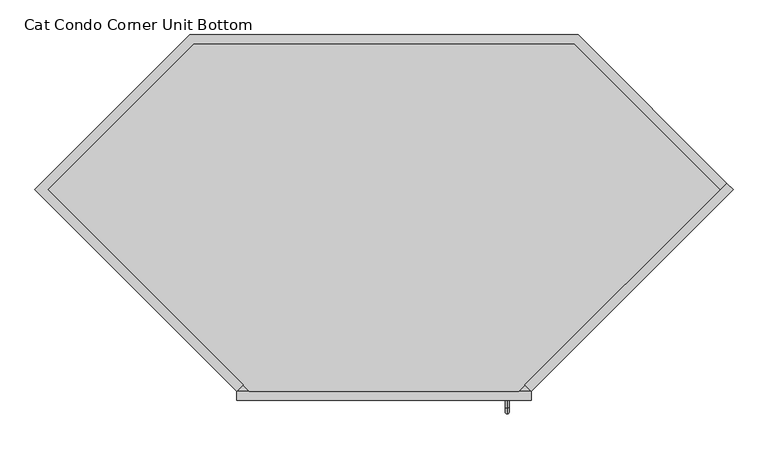
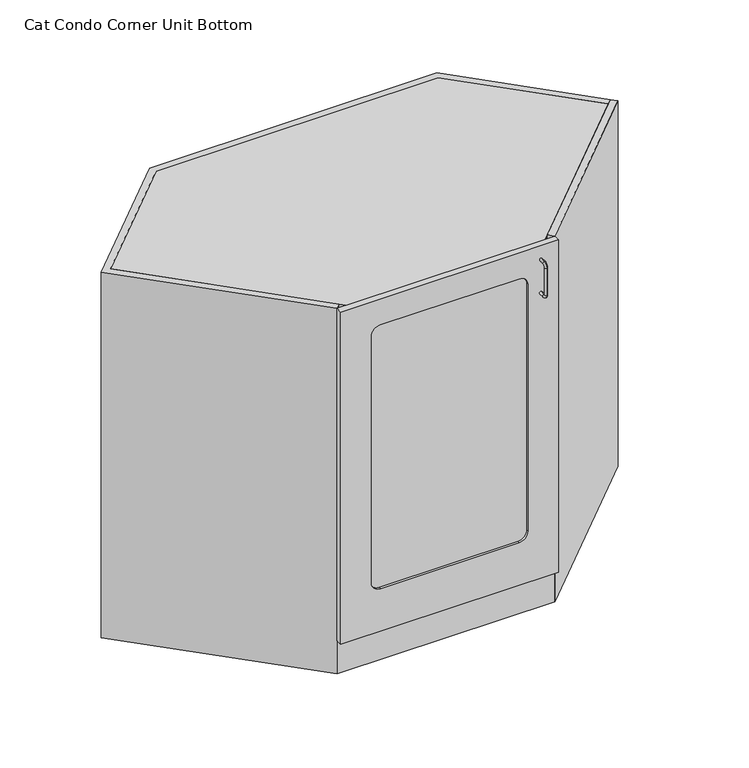
"""IFC4 building model written with IfcOpenShell, lengths in millimetres: proxy geometry, Cat Condo Corner Unit Bottom."""

import ifcopenshell
import ifcopenshell.guid

model = None  # the IFC model being written
_history = None  # IfcOwnerHistory: only IFC2X3 demands one
_inside = {}  # id of a spatial element -> (the spatial element, [elements in it])
_under = {}  # id of a project, library or spatial element -> (it, [spatial elements below it])
_declared = {}  # id of a project -> (the project, [libraries it declares])
_typed = {}  # id of a type object -> (the type object, [elements of that type])
_made_of = {}  # id of a material, layer set ... -> (it, [elements and type objects made of it])


def new_model(schema):
    """Start an empty IFC model of exactly this schema.

    Asked for "IFC4X3", IfcOpenShell would pick the latest addendum, in which some entities
    have other attributes; the version numbers below select the first issue.
    IFC2X3 requires an IfcOwnerHistory on every rooted entity: one is made here for all.
    """
    global model, _history
    if schema == "IFC4X3":
        model = ifcopenshell.file(schema_version=(4, 3, 0, 0))
    else:
        model = ifcopenshell.file(schema=schema)
    _inside.clear()
    _under.clear()
    _declared.clear()
    _typed.clear()
    _made_of.clear()
    _history = None
    if model.schema == "IFC2X3":
        org = make("IfcOrganization", Name="unknown")
        user = make(
            "IfcPersonAndOrganization",
            ThePerson=make("IfcPerson", FamilyName="unknown"),
            TheOrganization=org,
        )
        app = make(
            "IfcApplication",
            ApplicationDeveloper=org,
            Version="unknown",
            ApplicationFullName="unknown",
            ApplicationIdentifier="unknown",
        )
        _history = make(
            "IfcOwnerHistory",
            OwningUser=user,
            OwningApplication=app,
            ChangeAction="ADDED",
            CreationDate=0,
        )
    return model


def make(cls, **values):
    """One entity of the class cls with the attributes given. An attribute that is None is left unset."""
    return model.create_entity(
        cls, **{name: value for name, value in values.items() if value is not None}
    )


def rooted(cls, **values):
    """An entity with a GlobalId (a new one), such as an element, a storey or a relation."""
    return make(cls, GlobalId=ifcopenshell.guid.new(), OwnerHistory=_history, **values)


def si_unit(unit_type, name, prefix=None):
    """IfcSIUnit, for example si_unit("LENGTHUNIT", "METRE", prefix="MILLI")."""
    return make("IfcSIUnit", UnitType=unit_type, Prefix=prefix, Name=name)


def assignment(units):
    """IfcUnitAssignment: the units of a project."""
    return None if units is None else make("IfcUnitAssignment", Units=units)


def point(xyz):
    """IfcCartesianPoint."""
    return None if xyz is None else make("IfcCartesianPoint", Coordinates=xyz)


def direction(xyz):
    """IfcDirection."""
    return None if xyz is None else make("IfcDirection", DirectionRatios=xyz)


def frame(location, z_axis=None, x_axis=None):
    """IfcAxis2Placement3D, a coordinate frame: its origin and axes. An axis left out is left unset."""
    return make(
        "IfcAxis2Placement3D",
        Location=point(location),
        Axis=direction(z_axis),
        RefDirection=direction(x_axis),
    )


def frame_2d(location, x_axis=None):
    """IfcAxis2Placement2D, a coordinate frame in the plane: its origin and x axis."""
    return make(
        "IfcAxis2Placement2D", Location=point(location), RefDirection=direction(x_axis)
    )


def origin():
    """The frame at (0, 0, 0) with its axes left unset."""
    return frame((0.0, 0.0, 0.0))


def origin_with_axes():
    """The frame at (0, 0, 0) with the z axis (0, 0, 1) and the x axis (1, 0, 0) written out."""
    return frame((0.0, 0.0, 0.0), z_axis=(0.0, 0.0, 1.0), x_axis=(1.0, 0.0, 0.0))


def place(relative_to, where):
    """IfcLocalPlacement: puts the frame where relative to a parent placement (None: the world)."""
    return make(
        "IfcLocalPlacement", PlacementRelTo=relative_to, RelativePlacement=where
    )


def context(
    kind, dimensions, precision=None, world=None, true_north=None, identifier=None
):
    """IfcGeometricRepresentationContext, for example the 3D "Model" context."""
    return make(
        "IfcGeometricRepresentationContext",
        ContextIdentifier=identifier,
        ContextType=kind,
        CoordinateSpaceDimension=dimensions,
        Precision=precision,
        WorldCoordinateSystem=world,
        TrueNorth=true_north,
    )


def project(units=None, contexts=None):
    """IfcProject with its units and contexts."""
    return rooted(
        "IfcProject",
        Name="project",
        RepresentationContexts=contexts,
        UnitsInContext=assignment(units),
    )


def spatial(cls, under=None, at=None, **own):
    """A site, building, storey or space (cls), placed at a placement, below another one or the project."""
    s = rooted(cls, ObjectPlacement=at, **own)
    if under is not None:
        _under.setdefault(under.id(), (under, []))[1].append(s)
    return s


def polyline(points):
    """IfcPolyline through the points."""
    return make("IfcPolyline", Points=[point(p) for p in points])


def circle_curve(where, radius):
    """IfcCircle in the frame where."""
    return make("IfcCircle", Position=where, Radius=radius)


def ellipse_curve(where, semi_axis1, semi_axis2):
    """IfcEllipse in the frame where."""
    return make(
        "IfcEllipse", Position=where, SemiAxis1=semi_axis1, SemiAxis2=semi_axis2
    )


def trimmed(basis, trim1, trim2, sense, master):
    """IfcTrimmedCurve: the piece of a basis curve between two trims."""
    return make(
        "IfcTrimmedCurve",
        BasisCurve=basis,
        Trim1=trim1,
        Trim2=trim2,
        SenseAgreement=sense,
        MasterRepresentation=master,
    )


def segment(curve, same_sense, transition):
    """IfcCompositeCurveSegment."""
    return make(
        "IfcCompositeCurveSegment",
        Transition=transition,
        SameSense=same_sense,
        ParentCurve=curve,
    )


def composite_curve(segments, self_intersect=None):
    """IfcCompositeCurve: segments joined end to end."""
    return make("IfcCompositeCurve", Segments=segments, SelfIntersect=self_intersect)


def outline(outer, holes=None, kind="AREA"):
    """IfcArbitraryClosedProfileDef: a profile drawn as a closed curve; with holes, ...WithVoids."""
    if holes is None:
        return make("IfcArbitraryClosedProfileDef", ProfileType=kind, OuterCurve=outer)
    return make(
        "IfcArbitraryProfileDefWithVoids",
        ProfileType=kind,
        OuterCurve=outer,
        InnerCurves=holes,
    )


def extrude(swept, where, along, depth):
    """IfcExtrudedAreaSolid: the profile swept, set in the frame where, extruded along a direction by depth."""
    return make(
        "IfcExtrudedAreaSolid",
        SweptArea=swept,
        Position=where,
        ExtrudedDirection=direction(along),
        Depth=depth,
    )


def faces_of(points, faces, orient=None, outer=None):
    """IfcFace entities. A face is a list of loops; a loop is a list of indices into points, from 0.

    orient and outer hold one flag for each loop. By default every Orientation is true, the
    first loop of a face is its IfcFaceOuterBound and the others are IfcFaceBound.
    """
    made = []
    for i, loops in enumerate(faces):
        bounds = []
        for j, loop in enumerate(loops):
            is_outer = j == 0 if outer is None else outer[i][j]
            bounds.append(
                make(
                    "IfcFaceOuterBound" if is_outer else "IfcFaceBound",
                    Bound=make("IfcPolyLoop", Polygon=[points[k] for k in loop]),
                    Orientation=True if orient is None else orient[i][j],
                )
            )
        made.append(make("IfcFace", Bounds=bounds))
    return made


def faceted_brep(points, faces, orient=None, outer=None, voids=None):
    """IfcFacetedBrep: a solid bounded by flat faces; with voids (closed shells), ...WithVoids."""
    shared = [point(p) for p in points]
    hull = make("IfcClosedShell", CfsFaces=faces_of(shared, faces, orient, outer))
    if voids is None:
        return make("IfcFacetedBrep", Outer=hull)
    return make(
        "IfcFacetedBrepWithVoids",
        Outer=hull,
        Voids=[
            make(cls, CfsFaces=faces_of(shared, fs, o, b)) for cls, fs, o, b in voids
        ],
    )


def shape(context_of_items, identifier, shape_type, items):
    """IfcShapeRepresentation: the items that make up one representation, for example the "Body"."""
    return make(
        "IfcShapeRepresentation",
        ContextOfItems=context_of_items,
        RepresentationIdentifier=identifier,
        RepresentationType=shape_type,
        Items=items,
    )


def source(mapping_origin, context_of_items, identifier, shape_type, items):
    """IfcRepresentationMap: a shape defined once, which mapped items show again and again."""
    return make(
        "IfcRepresentationMap",
        MappingOrigin=mapping_origin,
        MappedRepresentation=shape(context_of_items, identifier, shape_type, items),
    )


def transform(
    local_origin,
    x_axis=None,
    y_axis=None,
    z_axis=None,
    scale=None,
    scale2=None,
    scale3=None,
    uniform=True,
):
    """IfcCartesianTransformationOperator3D, or its non-uniform kind. x_axis, y_axis, z_axis: its Axis1, 2, 3."""
    if uniform:
        return make(
            "IfcCartesianTransformationOperator3D",
            Axis1=direction(x_axis),
            Axis2=direction(y_axis),
            LocalOrigin=point(local_origin),
            Scale=scale,
            Axis3=direction(z_axis),
        )
    return make(
        "IfcCartesianTransformationOperator3DnonUniform",
        Axis1=direction(x_axis),
        Axis2=direction(y_axis),
        LocalOrigin=point(local_origin),
        Scale=scale,
        Axis3=direction(z_axis),
        Scale2=scale2,
        Scale3=scale3,
    )


def mapped(mapping_source, mapping_target):
    """IfcMappedItem: shows the shape of a source again, moved by a transform."""
    return make(
        "IfcMappedItem", MappingSource=mapping_source, MappingTarget=mapping_target
    )


def made_of(thing, what):
    """Note that an element or type object is made of a material, layer set ...; save() writes the relation."""
    if what is not None:
        _made_of.setdefault(what.id(), (what, []))[1].append(thing)
    return thing


def element(
    cls,
    number,
    at=None,
    inside=None,
    cuts=None,
    type_object=None,
    material=None,
    context=None,
    identifier="Body",
    shape_type=None,
    held_by="IfcProductDefinitionShape",
    body=None,
    shapes=None,
    **own,
):
    """One element of the class cls, such as IfcWall. Its Tag is "e" and its number.

    at: its placement. inside: the storey or other place that contains it. cuts: it is an
    opening in that element (IfcRelVoidsElement). A single representation is given by context,
    identifier, shape_type and body (its items); several are given by shapes. held_by: the class
    of the entity that holds the representations. save() writes the other relations.
    """
    e = rooted(cls, Tag="e%d" % number, ObjectPlacement=at, **own)
    if body is not None:
        shapes = [shape(context, identifier, shape_type, body)]
    if shapes is not None:
        e.Representation = make(held_by, Representations=shapes)
    if inside is not None:
        _inside.setdefault(inside.id(), (inside, []))[1].append(e)
    if cuts is not None:
        rooted(
            "IfcRelVoidsElement", RelatingBuildingElement=cuts, RelatedOpeningElement=e
        )
    if type_object is not None:
        _typed.setdefault(type_object.id(), (type_object, []))[1].append(e)
    return made_of(e, material)


def aggregate(whole, parts):
    """IfcRelAggregates: a whole, such as a stair, and the parts it consists of."""
    return rooted("IfcRelAggregates", RelatingObject=whole, RelatedObjects=parts)


def save(model, path):
    """Write the relations noted so far, then the file.

    IfcRelAggregates (storeys below a building ...), IfcRelContainedInSpatialStructure (elements
    in a storey), IfcRelDefinesByType, IfcRelAssociatesMaterial and IfcRelDeclares: one each for
    every whole, place, type object, material and project.
    """
    for whole, parts in _under.values():
        aggregate(whole, parts)
    for where, things in _inside.values():
        rooted(
            "IfcRelContainedInSpatialStructure",
            RelatedElements=things,
            RelatingStructure=where,
        )
    for kind, things in _typed.values():
        rooted("IfcRelDefinesByType", RelatedObjects=things, RelatingType=kind)
    for what, things in _made_of.values():
        rooted("IfcRelAssociatesMaterial", RelatedObjects=things, RelatingMaterial=what)
    for by, libraries in _declared.values():
        rooted("IfcRelDeclares", RelatingContext=by, RelatedDefinitions=libraries)
    model.write(path)


def plane_surface(at):
    """IfcPlane: the flat surface through the origin of the frame at, square to its z axis."""
    return make("IfcPlane", Position=at)


def cylinder_surface(at, radius):
    """IfcCylindricalSurface: all points at the distance radius from the z axis of the frame at."""
    return make("IfcCylindricalSurface", Position=at, Radius=radius)


def revolved_surface(curve, axis_point, axis_direction):
    """IfcSurfaceOfRevolution: the curve turned about the line through axis_point along axis_direction."""
    return make(
        "IfcSurfaceOfRevolution",
        SweptCurve=make("IfcArbitraryOpenProfileDef", ProfileType="CURVE", Curve=curve),
        AxisPosition=make("IfcAxis1Placement", Location=point(axis_point), Axis=direction(axis_direction)),
    )


def advanced_brep(points, edges, surfaces, faces):
    """IfcAdvancedBrep: a solid bounded by faces that lie on surfaces and meet in shared edges.

    An edge is (start, end): straight between two places in points (the first is 0);
    or (start, end, curve); or (start, end, curve, False) where it runs against its curve.
    A face is (place in surfaces, loops), or (place, loops, False) where it looks against
    its surface's normal. A loop lists edges by number (the first is 1), with a minus sign
    where the edge is run from its end to its start. The first loop is the outer one.
    """
    corners = [point(p) for p in points]
    vertices = [make("IfcVertexPoint", VertexGeometry=c) for c in corners]
    made = []
    for start, end, *more in edges:
        made.append(
            make(
                "IfcEdgeCurve",
                EdgeStart=vertices[start],
                EdgeEnd=vertices[end],
                EdgeGeometry=more[0] if more else make("IfcPolyline", Points=[corners[start], corners[end]]),
                SameSense=more[1] if len(more) > 1 else True,
            )
        )
    hull = []
    for where, loops, *sense in faces:
        bounds = []
        for j, loop in enumerate(loops):
            ring = [make("IfcOrientedEdge", EdgeElement=made[abs(k) - 1], Orientation=k > 0) for k in loop]
            bounds.append(
                make(
                    "IfcFaceOuterBound" if j == 0 else "IfcFaceBound",
                    Bound=make("IfcEdgeLoop", EdgeList=ring),
                    Orientation=True,
                )
            )
        hull.append(make("IfcAdvancedFace", Bounds=bounds, FaceSurface=surfaces[where], SameSense=sense[0] if sense else True))
    return make("IfcAdvancedBrep", Outer=make("IfcClosedShell", CfsFaces=hull))


def cat_condo_corner_unit_bottom_98b2bc5d(model_context):
    return source(origin(), model_context, "Body", "SolidModel", [
        advanced_brep(
        [(567.1128423, -19.05, 1069.2243154), (567.1128423, -19.05, 1077.0756846), (567.1128423, -35.2117768, 1069.2243154), (567.1128423, -35.2117768, 1077.0756846), (567.1128423, -48.3756846, 1063.9117768), (567.1128423, -40.5243154, 1063.9117768), (567.1128423, -40.5243154, 980.7882232), (567.1128423, -48.3756846, 980.7882232), (567.1128423, -35.2117768, 967.6243154), (567.1128423, -35.2117768, 975.4756846), (567.1128423, -19.05, 975.4756846), (567.1128423, -19.05, 967.6243154)],
        [
            (0, 1, circle_curve(frame((567.1128423, -19.05, 1073.15), z_axis=(0.0, 1.0, 0.0), x_axis=(0.0, 0.0, 1.0)), 3.9256846)),
            (1, 0, circle_curve(frame((567.1128423, -19.05, 1073.15), z_axis=(0.0, 1.0, 0.0), x_axis=(0.0, 0.0, 1.0)), 3.9256846)),
            (0, 2),
            (2, 3, circle_curve(frame((567.1128423, -35.2117768, 1073.15), z_axis=(0.0, 1.0, 0.0), x_axis=(0.0, 0.0, 1.0)), 3.9256846)),
            (3, 1),
            (3, 2, circle_curve(frame((567.1128423, -35.2117768, 1073.15), z_axis=(0.0, 1.0, 0.0), x_axis=(0.0, 0.0, 1.0)), 3.9256846)),
            (4, 3, circle_curve(frame((567.1128423, -35.2117768, 1063.9117768), z_axis=(-1.0, 0.0, 0.0), x_axis=(0.0, 0.0, 1.0)), 13.1639078)),
            (2, 5, circle_curve(frame((567.1128423, -35.2117768, 1063.9117768), z_axis=(1.0, 0.0, 0.0), x_axis=(0.0, 0.0, 1.0)), 5.3125387)),
            (5, 4, circle_curve(frame((567.1128423, -44.45, 1063.9117768), z_axis=(0.0, 0.0, 1.0), x_axis=(0.0, -1.0, 0.0)), 3.9256846)),
            (4, 5, circle_curve(frame((567.1128423, -44.45, 1063.9117768), z_axis=(0.0, 0.0, 1.0), x_axis=(0.0, -1.0, 0.0)), 3.9256846)),
            (5, 6),
            (6, 7, circle_curve(frame((567.1128423, -44.45, 980.7882232), z_axis=(0.0, 0.0, 1.0), x_axis=(0.0, -1.0, 0.0)), 3.9256846)),
            (7, 4),
            (7, 6, circle_curve(frame((567.1128423, -44.45, 980.7882232), z_axis=(0.0, 0.0, 1.0), x_axis=(0.0, -1.0, 0.0)), 3.9256846)),
            (8, 7, circle_curve(frame((567.1128423, -35.2117768, 980.7882232), z_axis=(-1.0, 0.0, 0.0), x_axis=(0.0, -1.0, 0.0)), 13.1639078)),
            (6, 9, circle_curve(frame((567.1128423, -35.2117768, 980.7882232), z_axis=(1.0, 0.0, 0.0), x_axis=(0.0, -1.0, 0.0)), 5.3125387)),
            (9, 8, circle_curve(frame((567.1128423, -35.2117768, 971.55), z_axis=(0.0, -1.0, 0.0), x_axis=(0.0, 0.0, -1.0)), 3.9256846)),
            (8, 9, circle_curve(frame((567.1128423, -35.2117768, 971.55), z_axis=(0.0, -1.0, 0.0), x_axis=(0.0, 0.0, -1.0)), 3.9256846)),
            (10, 11, circle_curve(frame((567.1128423, -19.05, 971.55), z_axis=(0.0, 1.0, 0.0), x_axis=(0.0, 0.0, -1.0)), 3.9256846)),
            (11, 10, circle_curve(frame((567.1128423, -19.05, 971.55), z_axis=(0.0, 1.0, 0.0), x_axis=(0.0, 0.0, -1.0)), 3.9256846)),
            (9, 10),
            (11, 8),
        ],
        [
            plane_surface(frame((567.1128423, -19.05, 1073.15), z_axis=(0.0, 1.0, 0.0), x_axis=(1.0, 0.0, 0.0))),
            cylinder_surface(frame((567.1128423, -19.05, 1073.15), z_axis=(0.0, 1.0, 0.0), x_axis=(0.0, 0.0, 1.0)), 3.9256846),
            revolved_surface(trimmed(ellipse_curve(frame((567.1128423, -35.2117768, 1073.15), z_axis=(0.0, 1.0, 0.0), x_axis=(0.0, 0.0, 1.0)), 3.9256846, 3.9256846), [point((567.1128423, -35.2117768, 1069.2243154))], [point((567.1128423, -35.2117768, 1077.0756846))], True, "CARTESIAN"), (567.1128423, -35.2117768, 1063.9117768), (1.0, 0.0, 0.0)),
            revolved_surface(trimmed(ellipse_curve(frame((567.1128423, -35.2117768, 1073.15), z_axis=(0.0, 1.0, 0.0), x_axis=(0.0, 0.0, 1.0)), 3.9256846, 3.9256846), [point((567.1128423, -35.2117768, 1077.0756846))], [point((567.1128423, -35.2117768, 1069.2243154))], True, "CARTESIAN"), (567.1128423, -35.2117768, 1063.9117768), (1.0, 0.0, 0.0)),
            cylinder_surface(frame((567.1128423, -44.45, 1063.9117768), z_axis=(0.0, 0.0, 1.0), x_axis=(0.0, -1.0, 0.0)), 3.9256846),
            revolved_surface(trimmed(ellipse_curve(frame((567.1128423, -44.45, 980.7882232), z_axis=(0.0, 0.0, 1.0), x_axis=(0.0, -1.0, 0.0)), 3.9256846, 3.9256846), [point((567.1128423, -40.5243154, 980.7882232))], [point((567.1128423, -48.3756846, 980.7882232))], True, "CARTESIAN"), (567.1128423, -35.2117768, 980.7882232), (1.0, 0.0, 0.0)),
            revolved_surface(trimmed(ellipse_curve(frame((567.1128423, -44.45, 980.7882232), z_axis=(0.0, 0.0, 1.0), x_axis=(0.0, -1.0, 0.0)), 3.9256846, 3.9256846), [point((567.1128423, -48.3756846, 980.7882232))], [point((567.1128423, -40.5243154, 980.7882232))], True, "CARTESIAN"), (567.1128423, -35.2117768, 980.7882232), (1.0, 0.0, 0.0)),
            plane_surface(frame((567.1128423, -19.05, 971.55), z_axis=(0.0, 1.0, 0.0), x_axis=(1.0, 0.0, 0.0))),
            cylinder_surface(frame((567.1128423, -35.2117768, 971.55), z_axis=(0.0, -1.0, 0.0), x_axis=(0.0, 0.0, -1.0)), 3.9256846),
        ],
        [
            (0, [[1, 2]]),
            (1, [[-1, 3, 4, 5]]),
            (1, [[-2, -5, 6, -3]]),
            (2, [[7, -4, 8, 9]]),
            (3, [[-8, -6, -7, 10]]),
            (4, [[-9, 11, 12, 13]]),
            (4, [[-10, -13, 14, -11]]),
            (5, [[15, -12, 16, 17]]),
            (6, [[-16, -14, -15, 18]]),
            (7, [[19, 20]]),
            (8, [[-17, 21, -20, 22]]),
            (8, [[-18, -22, -19, -21]]),
        ],
    ),
        extrude(outline(polyline([(1035.8671158, 444.522678), (1049.3375, 431.0522938), (618.2852062, 0.0), (604.814822, 13.4703842), (1035.8671158, 444.522678)])), origin_with_axes(), (0.0, 0.0, 1.0), 1114.425),
        faceted_brep([(718.3897938, 762.0, 1114.425), (-110.3772938, 762.0, 1114.425), (-441.325, 431.0522938, 1114.425), (-10.2727062, 0.0, 1114.425), (3.197678, 13.4703842, 1114.425), (-414.3842316, 431.0522938, 1114.425), (-102.4865254, 742.95, 1114.425), (710.4990254, 742.95, 1114.425), (1022.3967316, 431.0522938, 1114.425), (1035.8671158, 444.522678, 1114.425), (-110.3772938, 762.0, 0.0), (718.3897938, 762.0, 0.0), (1035.8671158, 444.522678, 0.0), (1022.3967316, 431.0522938, 0.0), (710.4990254, 742.95, 0.0), (-102.4865254, 742.95, 0.0), (-414.3842316, 431.0522938, 0.0), (-2.3819378, 19.05, 0.0), (618.2852062, 19.05, 0.0), (618.2852062, 0.0, 0.0), (-10.2727062, 0.0, 0.0), (-441.325, 431.0522938, 0.0), (-10.2727062, 0.0, 101.6), (3.197678, 13.4703842, 101.6), (-2.3819378, 19.05, 101.6), (618.2852062, 0.0, 101.6), (618.2852062, 19.05, 101.6)], [[[0, 1, 2, 3, 4, 5, 6, 7, 8, 9]], [[10, 11, 12, 13, 14, 15, 16, 17, 18, 19, 20, 21]], [[1, 0, 11, 10]], [[6, 15, 14, 7]], [[6, 5, 16, 15]], [[1, 10, 21, 2]], [[9, 8, 13, 12]], [[13, 8, 7, 14]], [[0, 9, 12, 11]], [[3, 2, 21, 20, 22]], [[4, 3, 22, 23]], [[5, 4, 23, 24, 17, 16]], [[22, 25, 26, 24, 23]], [[26, 18, 17, 24]], [[25, 22, 20, 19]], [[26, 25, 19, 18]]]),
        extrude(outline(polyline([(1022.3967316, 431.0522938), (591.3444378, 0.0), (16.6680622, 0.0), (-414.3842316, 431.0522938), (-102.4865254, 742.95), (710.4990254, 742.95), (1022.3967316, 431.0522938)])), frame((0.0, 0.0, 1095.375), z_axis=(0.0, 0.0, 1.0), x_axis=(1.0, 0.0, 0.0)), (0.0, 0.0, 1.0), 19.05),
        extrude(outline(polyline([(-102.4865254, 742.95), (710.4990254, 742.95), (1022.3967316, 431.0522938), (610.3944378, 19.05), (-2.3819378, 19.05), (-414.3842316, 431.0522938), (-102.4865254, 742.95)])), frame((0.0, 0.0, 101.6), z_axis=(0.0, 0.0, 1.0), x_axis=(1.0, 0.0, 0.0)), (0.0, 0.0, 1.0), 19.05),
        extrude(outline(composite_curve([segment(polyline([(1035.05, 504.03125), (1035.05, 103.98125)]), True, "CONTINUOUS"), segment(trimmed(circle_curve(frame_2d((1009.65, 103.98125)), 25.4), [point((1035.05, 103.98125))], [point((1009.65, 78.58125))], False, "CARTESIAN"), True, "CONTINUOUS"), segment(polyline([(1009.65, 78.58125), (257.175, 78.58125)]), True, "CONTINUOUS"), segment(trimmed(circle_curve(frame_2d((257.175, 103.98125)), 25.4), [point((257.175, 78.58125))], [point((231.775, 103.98125))], False, "CARTESIAN"), True, "CONTINUOUS"), segment(polyline([(231.775, 103.98125), (231.775, 504.03125)]), True, "CONTINUOUS"), segment(trimmed(circle_curve(frame_2d((257.175, 504.03125)), 25.4), [point((231.775, 504.03125))], [point((257.175, 529.43125))], False, "CARTESIAN"), True, "CONTINUOUS"), segment(polyline([(257.175, 529.43125), (1009.65, 529.43125)]), True, "CONTINUOUS"), segment(trimmed(circle_curve(frame_2d((1009.65, 504.03125)), 25.4), [point((1009.65, 529.43125))], [point((1035.05, 504.03125))], False, "CARTESIAN"), True, "CONTINUOUS")], self_intersect=False)), frame((0.0, -12.7, 0.0), z_axis=(0.0, 1.0, 0.0), x_axis=(0.0, 0.0, 1.0)), (0.0, 0.0, 1.0), 6.35),
        extrude(outline(polyline([(1114.425, 618.2852062), (1114.425, -10.2727062), (101.6, -10.2727062), (101.6, 618.2852062), (1114.425, 618.2852062)]), holes=[composite_curve([segment(polyline([(1035.05, 103.98125), (1035.05, 504.03125)]), True, "CONTINUOUS"), segment(trimmed(circle_curve(frame_2d((1009.65, 504.03125)), 25.4), [point((1035.05, 504.03125))], [point((1009.65, 529.43125))], True, "CARTESIAN"), True, "CONTINUOUS"), segment(polyline([(1009.65, 529.43125), (257.175, 529.43125)]), True, "CONTINUOUS"), segment(trimmed(circle_curve(frame_2d((257.175, 504.03125)), 25.4), [point((257.175, 529.43125))], [point((231.775, 504.03125))], True, "CARTESIAN"), True, "CONTINUOUS"), segment(polyline([(231.775, 504.03125), (231.775, 103.98125)]), True, "CONTINUOUS"), segment(trimmed(circle_curve(frame_2d((257.175, 103.98125)), 25.4), [point((231.775, 103.98125))], [point((257.175, 78.58125))], True, "CARTESIAN"), True, "CONTINUOUS"), segment(polyline([(257.175, 78.58125), (1009.65, 78.58125)]), True, "CONTINUOUS"), segment(trimmed(circle_curve(frame_2d((1009.65, 103.98125)), 25.4), [point((1009.65, 78.58125))], [point((1035.05, 103.98125))], True, "CARTESIAN"), True, "CONTINUOUS")], self_intersect=False)]), frame((0.0, -19.05, 0.0), z_axis=(0.0, 1.0, 0.0), x_axis=(0.0, 0.0, 1.0)), (0.0, 0.0, 1.0), 19.05),
    ])


if __name__ == "__main__":
    model = new_model("IFC4")
    model_context = context("Model", 3, world=origin())
    ifc_project = project(units=[si_unit("LENGTHUNIT", "METRE", prefix="MILLI")], contexts=[model_context])
    site = spatial("IfcSite", under=ifc_project)
    building = spatial("IfcBuilding", under=site)
    placement = place(None, origin())
    cat_condo_corner_unit_bottom_shape = cat_condo_corner_unit_bottom_98b2bc5d(model_context)
    element("IfcBuildingElementProxy", 1, Name="Cat Condo Corner Unit Bottom", ObjectType="Cat Condo Corner Unit Bottom", at=placement, inside=building, context=model_context, shape_type="MappedRepresentation", body=[
        mapped(cat_condo_corner_unit_bottom_shape, transform((0.0, 0.0, 0.0), x_axis=(1.0, 0.0, 0.0), y_axis=(0.0, 1.0, 0.0), z_axis=(0.0, 0.0, 1.0))),
    ])
    save(model, "model.ifc")
